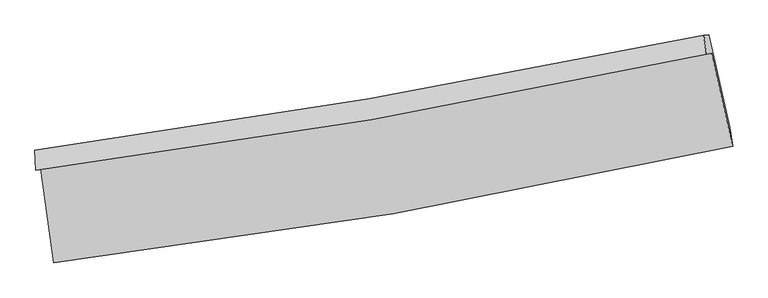
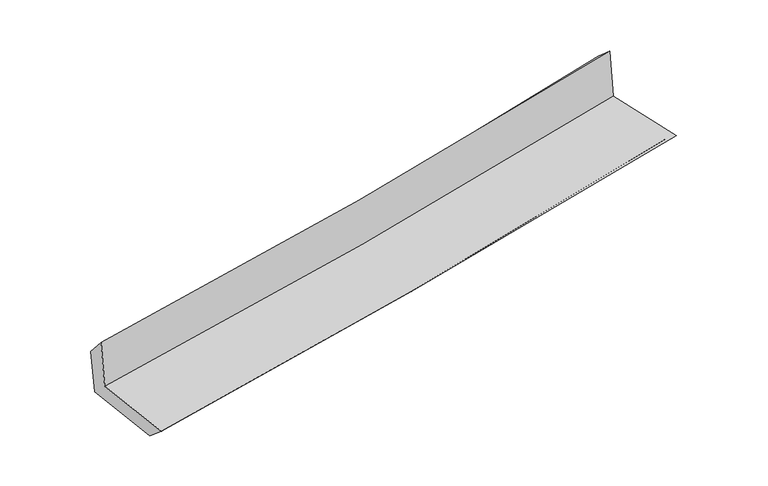
"""IFC4 building model written with IfcOpenShell, lengths in millimetres: proxy geometry."""

from ifc_helpers import new_model, si_unit, frame, origin, place, context, project, spatial, source, transform, mapped, element, save
from ifc_brep_helpers import plane_surface, spline_curve, spline_surface, advanced_brep


def generic_models_d7eb7c90(model_context):
    return source(origin(), model_context, "Body", "AdvancedBrep", [
        advanced_brep(
        [(-2351.3050589, -1883.6506919, 1688.5456345), (-2261.1603605, -2533.9416132, 1659.5427488), (2440.3664177, -1727.5449482, 2097.6407844), (2294.5645774, -1081.9800042, 2102.7058542), (-2385.8987666, -1891.4868475, 2088.984505), (2259.3355752, -1089.9476648, 2507.4193815), (-2390.1089179, -1753.9814627, 1928.2964105), (2240.3523213, -959.7677334, 2394.5557885), (-2357.8626201, -1751.1798358, 1561.8405269), (2274.582984, -956.7342503, 2012.8988042), (-2269.7582164, -2386.7523643, 1533.4940795), (2420.5289011, -1595.2973, 1989.0267979)],
        [
            (0, 1),
            (1, 2, spline_curve(3, [(-2261.1603605, -2533.9416132, 1659.5427488), (-1474.927913972, -2440.139659621, 1753.496998281), (-691.441482203, -2326.35826279, 1836.887490485), (875.774602671, -2057.853987233, 1983.075940023), (1659.463763816, -1902.836495564, 2045.718126124), (2440.3664177, -1727.5449482, 2097.6407844)], [4, 2, 4], [0.0, 7.7851338279531275, 15.627456576606816])),
            (2, 3),
            (3, 0, spline_curve(3, [(2294.5645774, -1081.9800042, 2102.7058542), (1522.887718525, -1250.754659522, 2038.227426768), (748.466677869, -1402.128910245, 1971.339774729), (-800.196411378, -1669.09961869, 1833.251358381), (-1574.398582742, -1784.948930533, 1762.085603813), (-2351.3050589, -1883.6506919, 1688.5456345)], [4, 2, 4], [0.0, 7.842322748653689, 15.627456576606816])),
            (4, 0),
            (3, 5),
            (5, 4, spline_curve(3, [(2259.3355752, -1089.9476648, 2507.4193815), (1487.921653266, -1258.662768464, 2440.388808038), (713.684929259, -1409.996312946, 2371.870919428), (-834.767537743, -1676.923460201, 2232.371014447), (-1608.942260689, -1792.769643069, 2161.410610819), (-2385.8987666, -1891.4868475, 2088.984505)], [4, 2, 4], [0.0, 7.794041745232687, 15.531246651484029])),
            (6, 4),
            (5, 7),
            (7, 6, spline_curve(3, [(2240.3523213, -959.7677334, 2394.5557885), (1471.224758012, -1118.85082272, 2302.697669002), (699.367148562, -1264.771054081, 2217.796838252), (-844.159602779, -1529.317687594, 2062.478145523), (-1615.789072973, -1648.135366014, 1991.959183537), (-2390.1089179, -1753.9814627, 1928.2964105)], [4, 2, 4], [0.0, 7.7839781264116885, 15.511192801219362])),
            (8, 6),
            (7, 9),
            (9, 8, spline_curve(3, [(2274.582984, -956.7342503, 2012.8988042), (1503.801603654, -1115.976345155, 1938.493729075), (730.953535568, -1261.995251066, 1863.563532534), (-813.225031455, -1526.618293589, 1713.203142455), (-1584.52549771, -1645.414582612, 1637.780580024), (-2357.8626201, -1751.1798358, 1561.8405269)], [4, 2, 4], [0.0, 7.774792030004445, 15.492887596586288])),
            (10, 8),
            (9, 11),
            (11, 10, spline_curve(3, [(2420.5289011, -1595.2973, 1989.0267979), (1642.166209599, -1763.181318734, 1913.544098926), (860.685888269, -1913.254336742, 1837.701457804), (-702.788454564, -2176.813870839, 1685.851988095), (-1484.737172629, -2290.559207624, 1609.85038933), (-2269.7582164, -2386.7523643, 1533.4940795)], [4, 2, 4], [0.0, 7.822302493162724, 15.587562060228828])),
            (1, 10),
            (11, 2),
        ],
        [
            spline_surface(3, 3, [[(-2351.3050589, -1883.6506919, 1688.5456345), (-1574.398582674, -1784.948930611, 1762.085603868), (-800.196411355, -1669.099618661, 1833.251358435), (748.466677847, -1402.128910274, 1971.339774675), (1522.887718649, -1250.754659647, 2038.227426672), (2294.5645774, -1081.9800042, 2102.7058542)], [(-2321.256826124, -2100.414332353, 1678.878005925), (-1541.24169309, -2003.345840296, 1759.222735309), (-763.944768308, -1888.185833363, 1834.463402472), (790.902652793, -1620.703935881, 1975.251829792), (1568.413067015, -1468.115271643, 2040.724326518), (2343.165190825, -1297.168318872, 2101.017497597)], [(-2291.208593276, -2317.177972747, 1669.210377375), (-1508.084803434, -2221.742749922, 1756.359866777), (-727.693125263, -2107.272048145, 1835.675446476), (833.338627737, -1839.278961567, 1979.163884877), (1613.938415405, -1685.475883622, 2043.221226373), (2391.765804275, -1512.356633528, 2099.329141003)], [(-2261.1603605, -2533.9416132, 1659.5427488), (-1474.927913851, -2440.139659607, 1753.496998219), (-691.441482215, -2326.358262848, 1836.887490513), (875.774602684, -2057.853987174, 1983.075939994), (1659.463763771, -1902.836495617, 2045.718126219), (2440.3664177, -1727.5449482, 2097.6407844)]], [4, 4], [4, 2, 4], [0.0, 2.1885465161095676], [0.0, 7.7851338279531275, 15.627456576606816]),
            spline_surface(3, 3, [[(-2385.8987666, -1891.4868475, 2088.984505), (-1608.942260774, -1792.769643167, 2161.410610752), (-834.767537678, -1676.923460205, 2232.371014378), (713.684929194, -1409.996312943, 2371.870919497), (1487.921653319, -1258.662768363, 2440.388808004), (2259.3355752, -1089.9476648, 2507.4193815)], [(-2374.367530669, -1888.874795619, 1955.504881505), (-1597.427701377, -1790.162738967, 2028.302275129), (-823.243828918, -1674.315513037, 2099.331129065), (725.278845397, -1407.3738454, 2238.36053789), (1499.577008426, -1256.026732128, 2306.335014216), (2271.07857593, -1087.291777937, 2372.514872389)], [(-2362.836294831, -1886.262743781, 1822.025257995), (-1585.913142071, -1787.555834811, 1895.193939491), (-811.720120115, -1671.707565829, 1966.291243748), (736.872761643, -1404.751377817, 2104.850156281), (1511.232363542, -1253.390695882, 2172.28122046), (2282.82157667, -1084.635891063, 2237.610363311)], [(-2351.3050589, -1883.6506919, 1688.5456345), (-1574.398582674, -1784.948930611, 1762.085603868), (-800.196411355, -1669.099618661, 1833.251358435), (748.466677847, -1402.128910274, 1971.339774675), (1522.887718649, -1250.754659647, 2038.227426672), (2294.5645774, -1081.9800042, 2102.7058542)]], [4, 4], [4, 2, 4], [0.0, 1.3169561714678162], [0.0, 7.737204906251342, 15.531246651484029]),
            spline_surface(3, 3, [[(-2390.1089179, -1753.9814627, 1928.2964105), (-1615.78907306, -1648.13536612, 1991.959183606), (-844.159602838, -1529.317687624, 2062.478145513), (699.367148622, -1264.771054051, 2217.796838262), (1471.224758075, -1118.850822834, 2302.697669018), (2240.3523213, -959.7677334, 2394.5557885)], [(-2388.705534135, -1799.816590957, 1981.859108677), (-1613.5068023, -1696.346791793, 2048.442992665), (-841.02891444, -1578.519611824, 2119.109101801), (704.139742157, -1313.179473688, 2269.154865341), (1476.790389815, -1165.454804681, 2348.594715372), (2246.680072592, -1003.161043871, 2432.176986191)], [(-2387.302150365, -1845.651719243, 2035.421806823), (-1611.224531534, -1744.558217494, 2104.926801694), (-837.898226076, -1627.721536005, 2175.74005809), (708.912335658, -1361.587893306, 2320.512892418), (1482.356021579, -1212.058786515, 2394.491761651), (2253.007823908, -1046.554354329, 2469.798183809)], [(-2385.8987666, -1891.4868475, 2088.984505), (-1608.942260774, -1792.769643167, 2161.410610752), (-834.767537678, -1676.923460205, 2232.371014378), (713.684929194, -1409.996312943, 2371.870919497), (1487.921653319, -1258.662768363, 2440.388808004), (2259.3355752, -1089.9476648, 2507.4193815)]], [4, 4], [4, 2, 4], [0.0, 0.7172643595875777], [0.0, 7.727214674807674, 15.511192801219362]),
            spline_surface(3, 3, [[(-2357.8626201, -1751.1798358, 1561.8405269), (-1584.525497785, -1645.414582581, 1637.780580027), (-813.225031347, -1526.618293469, 1713.20314254), (730.953535459, -1261.995251187, 1863.563532449), (1503.801603706, -1115.976345193, 1938.493729034), (2274.582984, -956.7342503, 2012.8988042)], [(-2368.611386043, -1752.113711432, 1683.992488089), (-1594.946689553, -1646.321510426, 1755.840114543), (-823.536555196, -1527.518091511, 1829.62814354), (720.424739828, -1262.920518799, 1981.641301062), (1492.942655175, -1116.934504408, 2059.895042353), (2263.172763112, -957.745411335, 2140.117798957)], [(-2379.360151957, -1753.047587068, 1806.144449311), (-1605.367881292, -1647.228438275, 1873.89964909), (-833.84807899, -1528.417889582, 1946.053144512), (709.895944252, -1263.845786439, 2099.719069648), (1482.083706607, -1117.892663618, 2181.2963557), (2251.762542188, -958.756572365, 2267.336793743)], [(-2390.1089179, -1753.9814627, 1928.2964105), (-1615.78907306, -1648.13536612, 1991.959183606), (-844.159602838, -1529.317687624, 2062.478145513), (699.367148622, -1264.771054051, 2217.796838262), (1471.224758075, -1118.850822834, 2302.697669018), (2240.3523213, -959.7677334, 2394.5557885)]], [4, 4], [4, 2, 4], [0.0, 1.1586931854172022], [0.0, 7.718095566581843, 15.492887596586288]),
            spline_surface(3, 3, [[(-2269.7582164, -2386.7523643, 1533.4940795), (-1484.737172632, -2290.559207643, 1609.850389416), (-702.788454668, -2176.813870788, 1685.851987969), (860.685888374, -1913.254336793, 1837.701457931), (1642.166209567, -1763.181318852, 1913.544098852), (2420.5289011, -1595.2973, 1989.0267979)], [(-2299.126350957, -2174.894854832, 1542.942895308), (-1517.999947673, -2075.510999321, 1619.160452961), (-739.600646872, -1960.082011675, 1694.969039487), (817.441770758, -1696.167974919, 1846.322149431), (1596.044674292, -1547.446327619, 1921.860642259), (2371.880262079, -1382.442950087, 1996.984133346)], [(-2328.494485543, -1963.037345268, 1552.391711092), (-1551.262722744, -1860.462790903, 1628.470516482), (-776.412839143, -1743.350152581, 1704.086091022), (774.197653074, -1479.081613062, 1854.942840948), (1549.923138981, -1331.711336426, 1930.177185627), (2323.231623021, -1169.588600213, 2004.941468754)], [(-2357.8626201, -1751.1798358, 1561.8405269), (-1584.525497785, -1645.414582581, 1637.780580027), (-813.225031347, -1526.618293469, 1713.20314254), (730.953535459, -1261.995251187, 1863.563532449), (1503.801603706, -1115.976345193, 1938.493729034), (2274.582984, -956.7342503, 2012.8988042)]], [4, 4], [4, 2, 4], [0.0, 2.172787442073801], [0.0, 7.765259567066105, 15.587562060228828]),
            spline_surface(3, 3, [[(-2261.1603605, -2533.9416132, 1659.5427488), (-1474.927913851, -2440.139659607, 1753.496998219), (-691.441482215, -2326.358262848, 1836.887490513), (875.774602684, -2057.853987174, 1983.075939994), (1659.463763771, -1902.836495617, 2045.718126219), (2440.3664177, -1727.5449482, 2097.6407844)], [(-2264.026312472, -2484.878530207, 1617.526525697), (-1478.197666783, -2390.279508926, 1705.614795282), (-695.223806369, -2276.510132183, 1786.542322983), (870.745031244, -2009.654103736, 1934.617779291), (1653.697912364, -1856.284770026, 2001.660117082), (2433.753912161, -1683.462398798, 2061.436122219)], [(-2266.892264428, -2435.815447293, 1575.510302603), (-1481.4674197, -2340.419358324, 1657.732592353), (-699.006130515, -2226.662001452, 1736.1971555), (865.715459813, -1961.454220231, 1886.159618634), (1647.932060974, -1809.733044442, 1957.602107988), (2427.141406639, -1639.379849402, 2025.231460081)], [(-2269.7582164, -2386.7523643, 1533.4940795), (-1484.737172632, -2290.559207643, 1609.850389416), (-702.788454668, -2176.813870788, 1685.851987969), (860.685888374, -1913.254336793, 1837.701457931), (1642.166209567, -1763.181318852, 1913.544098852), (2420.5289011, -1595.2973, 1989.0267979)]], [4, 4], [4, 2, 4], [0.0, 0.6863024542853547], [0.0, 7.822412620301771, 15.702288008092939]),
            plane_surface(frame((2321.6217961, -1235.2119835, 2184.0412351), z_axis=(0.9717197315255881, 0.2187669612945902, 0.0888919569464539), x_axis=(-0.08932822230893823, -0.007916167321217272, 0.9959707842070807))),
            plane_surface(frame((-2336.0156568, -2033.4988026, 1743.4506508), z_axis=(-0.9872209873095013, -0.1329309139146273, -0.08788682689388415), x_axis=(-0.13717532007206915, 0.9895630794944859, 0.04413437735501934))),
        ],
        [
            (0, [[1, 2, 3, 4]]),
            (1, [[5, -4, 6, 7]]),
            (2, [[8, -7, 9, 10]]),
            (3, [[11, -10, 12, 13]]),
            (4, [[14, -13, 15, 16]]),
            (5, [[17, -16, 18, -2]]),
            (6, [[-12, -9, -6, -3, -18, -15]]),
            (7, [[-1, -5, -8, -11, -14, -17]]),
        ],
    ),
    ])


if __name__ == "__main__":
    model = new_model("IFC4")
    model_context = context("Model", 3, world=origin())
    ifc_project = project(units=[si_unit("LENGTHUNIT", "METRE", prefix="MILLI")], contexts=[model_context])
    site = spatial("IfcSite", under=ifc_project)
    building = spatial("IfcBuilding", under=site)
    placement = place(None, origin())
    generic_models_shape = generic_models_d7eb7c90(model_context)
    element("IfcBuildingElementProxy", 1, Name="Generic Models", at=placement, inside=building, context=model_context, shape_type="MappedRepresentation", body=[
        mapped(generic_models_shape, transform((0.0, 0.0, 0.0), x_axis=(1.0, 0.0, 0.0), y_axis=(0.0, 1.0, 0.0), z_axis=(0.0, 0.0, 1.0))),
    ])
    save(model, "model.ifc")
